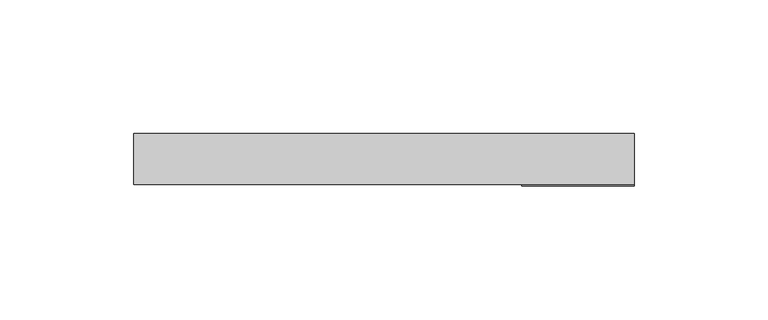
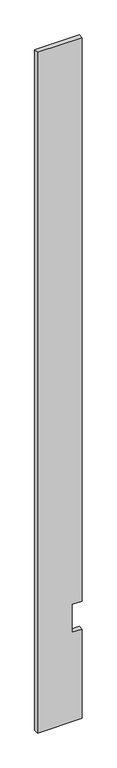
"""IFC4 building model written with IfcOpenShell, lengths in millimetres: proxy geometry."""

import ifcopenshell
import ifcopenshell.guid

model = None  # the IFC model being written
_history = None  # IfcOwnerHistory: only IFC2X3 demands one
_inside = {}  # id of a spatial element -> (the spatial element, [elements in it])
_under = {}  # id of a project, library or spatial element -> (it, [spatial elements below it])
_declared = {}  # id of a project -> (the project, [libraries it declares])
_typed = {}  # id of a type object -> (the type object, [elements of that type])
_made_of = {}  # id of a material, layer set ... -> (it, [elements and type objects made of it])


def new_model(schema):
    """Start an empty IFC model of exactly this schema.

    Asked for "IFC4X3", IfcOpenShell would pick the latest addendum, in which some entities
    have other attributes; the version numbers below select the first issue.
    IFC2X3 requires an IfcOwnerHistory on every rooted entity: one is made here for all.
    """
    global model, _history
    if schema == "IFC4X3":
        model = ifcopenshell.file(schema_version=(4, 3, 0, 0))
    else:
        model = ifcopenshell.file(schema=schema)
    _inside.clear()
    _under.clear()
    _declared.clear()
    _typed.clear()
    _made_of.clear()
    _history = None
    if model.schema == "IFC2X3":
        org = make("IfcOrganization", Name="unknown")
        user = make(
            "IfcPersonAndOrganization",
            ThePerson=make("IfcPerson", FamilyName="unknown"),
            TheOrganization=org,
        )
        app = make(
            "IfcApplication",
            ApplicationDeveloper=org,
            Version="unknown",
            ApplicationFullName="unknown",
            ApplicationIdentifier="unknown",
        )
        _history = make(
            "IfcOwnerHistory",
            OwningUser=user,
            OwningApplication=app,
            ChangeAction="ADDED",
            CreationDate=0,
        )
    return model


def make(cls, **values):
    """One entity of the class cls with the attributes given. An attribute that is None is left unset."""
    return model.create_entity(
        cls, **{name: value for name, value in values.items() if value is not None}
    )


def rooted(cls, **values):
    """An entity with a GlobalId (a new one), such as an element, a storey or a relation."""
    return make(cls, GlobalId=ifcopenshell.guid.new(), OwnerHistory=_history, **values)


def si_unit(unit_type, name, prefix=None):
    """IfcSIUnit, for example si_unit("LENGTHUNIT", "METRE", prefix="MILLI")."""
    return make("IfcSIUnit", UnitType=unit_type, Prefix=prefix, Name=name)


def assignment(units):
    """IfcUnitAssignment: the units of a project."""
    return None if units is None else make("IfcUnitAssignment", Units=units)


def point(xyz):
    """IfcCartesianPoint."""
    return None if xyz is None else make("IfcCartesianPoint", Coordinates=xyz)


def direction(xyz):
    """IfcDirection."""
    return None if xyz is None else make("IfcDirection", DirectionRatios=xyz)


def frame(location, z_axis=None, x_axis=None):
    """IfcAxis2Placement3D, a coordinate frame: its origin and axes. An axis left out is left unset."""
    return make(
        "IfcAxis2Placement3D",
        Location=point(location),
        Axis=direction(z_axis),
        RefDirection=direction(x_axis),
    )


def origin():
    """The frame at (0, 0, 0) with its axes left unset."""
    return frame((0.0, 0.0, 0.0))


def place(relative_to, where):
    """IfcLocalPlacement: puts the frame where relative to a parent placement (None: the world)."""
    return make(
        "IfcLocalPlacement", PlacementRelTo=relative_to, RelativePlacement=where
    )


def context(
    kind, dimensions, precision=None, world=None, true_north=None, identifier=None
):
    """IfcGeometricRepresentationContext, for example the 3D "Model" context."""
    return make(
        "IfcGeometricRepresentationContext",
        ContextIdentifier=identifier,
        ContextType=kind,
        CoordinateSpaceDimension=dimensions,
        Precision=precision,
        WorldCoordinateSystem=world,
        TrueNorth=true_north,
    )


def project(units=None, contexts=None):
    """IfcProject with its units and contexts."""
    return rooted(
        "IfcProject",
        Name="project",
        RepresentationContexts=contexts,
        UnitsInContext=assignment(units),
    )


def spatial(cls, under=None, at=None, **own):
    """A site, building, storey or space (cls), placed at a placement, below another one or the project."""
    s = rooted(cls, ObjectPlacement=at, **own)
    if under is not None:
        _under.setdefault(under.id(), (under, []))[1].append(s)
    return s


def polyline(points):
    """IfcPolyline through the points."""
    return make("IfcPolyline", Points=[point(p) for p in points])


def outline(outer, holes=None, kind="AREA"):
    """IfcArbitraryClosedProfileDef: a profile drawn as a closed curve; with holes, ...WithVoids."""
    if holes is None:
        return make("IfcArbitraryClosedProfileDef", ProfileType=kind, OuterCurve=outer)
    return make(
        "IfcArbitraryProfileDefWithVoids",
        ProfileType=kind,
        OuterCurve=outer,
        InnerCurves=holes,
    )


def extrude(swept, where, along, depth):
    """IfcExtrudedAreaSolid: the profile swept, set in the frame where, extruded along a direction by depth."""
    return make(
        "IfcExtrudedAreaSolid",
        SweptArea=swept,
        Position=where,
        ExtrudedDirection=direction(along),
        Depth=depth,
    )


def shape(context_of_items, identifier, shape_type, items):
    """IfcShapeRepresentation: the items that make up one representation, for example the "Body"."""
    return make(
        "IfcShapeRepresentation",
        ContextOfItems=context_of_items,
        RepresentationIdentifier=identifier,
        RepresentationType=shape_type,
        Items=items,
    )


def source(mapping_origin, context_of_items, identifier, shape_type, items):
    """IfcRepresentationMap: a shape defined once, which mapped items show again and again."""
    return make(
        "IfcRepresentationMap",
        MappingOrigin=mapping_origin,
        MappedRepresentation=shape(context_of_items, identifier, shape_type, items),
    )


def transform(
    local_origin,
    x_axis=None,
    y_axis=None,
    z_axis=None,
    scale=None,
    scale2=None,
    scale3=None,
    uniform=True,
):
    """IfcCartesianTransformationOperator3D, or its non-uniform kind. x_axis, y_axis, z_axis: its Axis1, 2, 3."""
    if uniform:
        return make(
            "IfcCartesianTransformationOperator3D",
            Axis1=direction(x_axis),
            Axis2=direction(y_axis),
            LocalOrigin=point(local_origin),
            Scale=scale,
            Axis3=direction(z_axis),
        )
    return make(
        "IfcCartesianTransformationOperator3DnonUniform",
        Axis1=direction(x_axis),
        Axis2=direction(y_axis),
        LocalOrigin=point(local_origin),
        Scale=scale,
        Axis3=direction(z_axis),
        Scale2=scale2,
        Scale3=scale3,
    )


def mapped(mapping_source, mapping_target):
    """IfcMappedItem: shows the shape of a source again, moved by a transform."""
    return make(
        "IfcMappedItem", MappingSource=mapping_source, MappingTarget=mapping_target
    )


def made_of(thing, what):
    """Note that an element or type object is made of a material, layer set ...; save() writes the relation."""
    if what is not None:
        _made_of.setdefault(what.id(), (what, []))[1].append(thing)
    return thing


def element(
    cls,
    number,
    at=None,
    inside=None,
    cuts=None,
    type_object=None,
    material=None,
    context=None,
    identifier="Body",
    shape_type=None,
    held_by="IfcProductDefinitionShape",
    body=None,
    shapes=None,
    **own,
):
    """One element of the class cls, such as IfcWall. Its Tag is "e" and its number.

    at: its placement. inside: the storey or other place that contains it. cuts: it is an
    opening in that element (IfcRelVoidsElement). A single representation is given by context,
    identifier, shape_type and body (its items); several are given by shapes. held_by: the class
    of the entity that holds the representations. save() writes the other relations.
    """
    e = rooted(cls, Tag="e%d" % number, ObjectPlacement=at, **own)
    if body is not None:
        shapes = [shape(context, identifier, shape_type, body)]
    if shapes is not None:
        e.Representation = make(held_by, Representations=shapes)
    if inside is not None:
        _inside.setdefault(inside.id(), (inside, []))[1].append(e)
    if cuts is not None:
        rooted(
            "IfcRelVoidsElement", RelatingBuildingElement=cuts, RelatedOpeningElement=e
        )
    if type_object is not None:
        _typed.setdefault(type_object.id(), (type_object, []))[1].append(e)
    return made_of(e, material)


def aggregate(whole, parts):
    """IfcRelAggregates: a whole, such as a stair, and the parts it consists of."""
    return rooted("IfcRelAggregates", RelatingObject=whole, RelatedObjects=parts)


def save(model, path):
    """Write the relations noted so far, then the file.

    IfcRelAggregates (storeys below a building ...), IfcRelContainedInSpatialStructure (elements
    in a storey), IfcRelDefinesByType, IfcRelAssociatesMaterial and IfcRelDeclares: one each for
    every whole, place, type object, material and project.
    """
    for whole, parts in _under.values():
        aggregate(whole, parts)
    for where, things in _inside.values():
        rooted(
            "IfcRelContainedInSpatialStructure",
            RelatedElements=things,
            RelatingStructure=where,
        )
    for kind, things in _typed.values():
        rooted("IfcRelDefinesByType", RelatedObjects=things, RelatingType=kind)
    for what, things in _made_of.values():
        rooted("IfcRelAssociatesMaterial", RelatedObjects=things, RelatingMaterial=what)
    for by, libraries in _declared.values():
        rooted("IfcRelDeclares", RelatingContext=by, RelatedDefinitions=libraries)
    model.write(path)


def specialty_equipment_8a5420b1(model_context):
    return source(origin(), model_context, "Body", "SweptSolid", [
        extrude(outline(polyline([(2999.5368001, 93.3704), (2999.5368001, -93.3704), (3.175, -93.3704), (3.175, 93.3704), (395.4526, 93.3704), (395.4526, 51.3588), (518.9474, 51.3588), (518.9474, 93.3704), (2999.5368001, 93.3704)])), frame((0.0, -9.525, 0.0), z_axis=(0.0, 1.0, 0.0), x_axis=(0.0, 0.0, 1.0)), (0.0, 0.0, 1.0), 19.05),
    ])


if __name__ == "__main__":
    model = new_model("IFC4")
    model_context = context("Model", 3, world=origin())
    ifc_project = project(units=[si_unit("LENGTHUNIT", "METRE", prefix="MILLI")], contexts=[model_context])
    site = spatial("IfcSite", under=ifc_project)
    building = spatial("IfcBuilding", under=site)
    placement = place(None, origin())
    specialty_equipment_shape = specialty_equipment_8a5420b1(model_context)
    element("IfcBuildingElementProxy", 1, Name="Specialty Equipment", at=placement, inside=building, context=model_context, shape_type="MappedRepresentation", body=[
        mapped(specialty_equipment_shape, transform((0.0, 0.0, 0.0), x_axis=(1.0, 0.0, 0.0), y_axis=(0.0, 1.0, 0.0), z_axis=(0.0, 0.0, 1.0))),
    ])
    save(model, "model.ifc")
